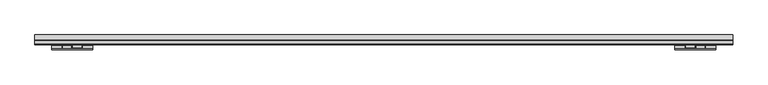
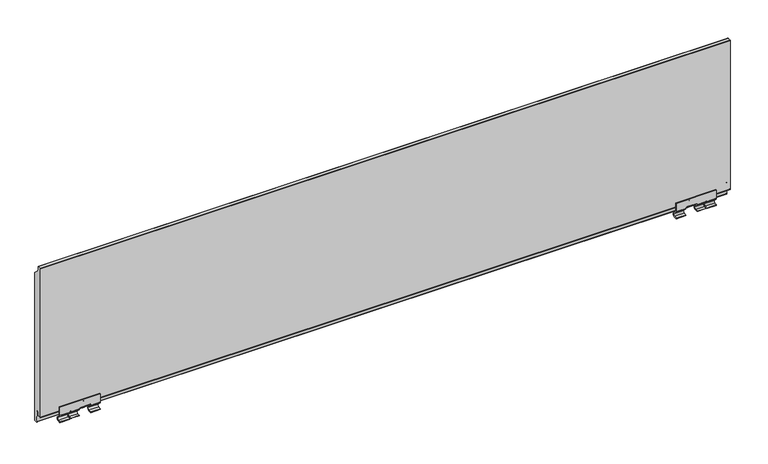
"""IFC4 building model written with IfcOpenShell, lengths in millimetres: plate geometry."""

from ifc_helpers import new_model, si_unit, point, frame, frame_2d, origin, place, context, project, spatial, polyline, circle_curve, trimmed, segment, composite_curve, outline, extrude, source, transform, mapped, element, save
from ifc_brep_helpers import plane_surface, cylinder_surface, revolved_surface, advanced_brep


def plate_f629481a(model_context):
    return source(origin(), model_context, "Body", "SolidModel", [
        advanced_brep(
        [(611.0, 145.9999948, 31.5), (611.0, 145.9999948, 15.4668526), (611.0, 147.0251211, 12.9919788), (611.0, 152.777415, 7.2396849), (611.0, 151.2359876, 2.9821849), (611.0, 146.0, 2.5061856), (611.0, 146.0, 1.0), (611.0, 151.3717914, 1.4883451), (611.0, 153.8380752, 8.3003451), (611.0, 148.0857812, 14.052639), (611.0, 147.4999948, 15.4668526), (611.0, 147.4999948, 31.5), (536.0, 145.9999948, 31.5), (536.0, 147.4999948, 31.5), (536.0, 147.4999948, 15.4668526), (536.0, 148.0857812, 14.052639), (536.0, 153.8380752, 8.3003451), (536.0, 151.3717914, 1.4883451), (536.0, 146.0, 1.0), (536.0, 146.0, 2.5061856), (536.0, 151.2359876, 2.9821849), (536.0, 152.777415, 7.2396849), (536.0, 147.0251211, 12.9919788), (536.0, 145.9999948, 15.4668526), (554.0, 145.9999948, 15.4668526), (554.0, 145.9999948, 17.0), (555.0, 145.9999948, 18.0), (556.0, 145.9999948, 18.0), (572.0, 145.9999948, 18.0), (573.5, 145.9999948, 18.0), (575.0, 145.9999948, 16.5), (575.0, 145.9999948, 15.4668526), (591.0, 145.9999948, 15.4668526), (591.0, 145.9999948, 17.0), (593.0, 145.9999948, 17.0), (593.0, 145.9999948, 15.4668526), (593.0, 147.0251211, 12.9919788), (554.0, 147.0251211, 12.9919788), (575.0, 147.0251211, 12.9919788), (591.0, 147.0251211, 12.9919788), (593.0, 152.777415, 7.2396849), (554.0, 152.777415, 7.2396849), (575.0, 152.777415, 7.2396849), (591.0, 152.777415, 7.2396849), (593.0, 151.2359876, 2.9821849), (554.0, 151.2359876, 2.9821849), (575.0, 151.2359876, 2.9821849), (591.0, 151.2359876, 2.9821849), (593.0, 146.0, 2.5061856), (554.0, 146.0, 2.5061856), (575.0, 146.0, 2.5061856), (591.0, 146.0, 2.5061856), (593.0, 146.0, 1.0), (554.0, 146.0, 1.0), (575.0, 146.0, 2.2760911), (591.0, 146.0, 2.2760911), (593.0, 151.3717914, 1.4883451), (554.0, 151.3717914, 1.4883451), (593.0, 153.8380752, 8.3003451), (554.0, 153.8380752, 8.3003451), (575.0, 153.8380752, 8.3003451), (591.0, 153.8380752, 8.3003451), (591.0, 153.4152023, 2.2760911), (575.0, 153.4152023, 2.2760911), (593.0, 148.0857812, 14.052639), (554.0, 148.0857812, 14.052639), (575.0, 148.0857812, 14.052639), (591.0, 148.0857812, 14.052639), (593.0, 147.4999948, 15.4668526), (554.0, 147.4999948, 15.4668526), (575.0, 147.4999948, 15.4668526), (591.0, 147.4999948, 15.4668526), (593.0, 147.4999948, 17.0), (591.0, 147.4999948, 17.0), (575.0, 147.4999948, 16.5), (573.5, 147.4999948, 18.0), (572.0, 147.4999948, 18.0), (556.0, 147.4999948, 18.0), (555.0, 147.4999948, 18.0), (554.0, 147.4999948, 17.0), (572.0, 149.4999948, 16.0), (572.0, 147.5329983, 15.1050173), (572.0, 149.4999948, 14.5), (572.0, 162.5122327, 14.5), (572.0, 163.5122327, 13.5), (572.0, 162.9827046, 2.2610433), (572.0, 164.4813027, 2.1962053), (572.0, 165.011917, 13.460268), (572.0, 164.1630431, 15.3774518), (572.0, 164.7826556, 16.9101209), (572.0, 164.9290465, 21.0016788), (572.0, 163.4307254, 21.0726271), (572.0, 163.2845595, 16.9808581), (572.0, 162.3501888, 16.0), (556.0, 149.4999948, 16.0), (556.0, 162.3501888, 16.0), (556.0, 163.2845595, 16.9808581), (556.0, 163.4307254, 21.0726271), (556.0, 164.9290465, 21.0016788), (556.0, 164.7826556, 16.9101209), (556.0, 164.1630431, 15.3774518), (556.0, 165.011917, 13.460268), (556.0, 164.4813027, 2.1962053), (556.0, 162.9827046, 2.2610433), (556.0, 163.5122327, 13.5), (556.0, 162.5122327, 14.5), (556.0, 149.4999948, 14.5), (556.0, 147.5329983, 15.1050173)],
        [
            (0, 1),
            (1, 2, circle_curve(frame((611.0, 149.4999948, 15.4668526), z_axis=(1.0, 0.0, 0.0), x_axis=(0.0, 1.0, 0.0)), 3.5)),
            (2, 3),
            (3, 4, circle_curve(frame((611.0, 151.0096481, 5.4719179), z_axis=(-1.0, 0.0, 0.0), x_axis=(0.0, 1.0, 0.0)), 2.5)),
            (4, 5),
            (5, 6),
            (6, 7),
            (7, 8, circle_curve(frame((611.0, 151.0096481, 5.4719179), z_axis=(1.0, 0.0, 0.0), x_axis=(0.0, 1.0, 0.0)), 4.0)),
            (8, 9),
            (9, 10, circle_curve(frame((611.0, 149.4999948, 15.4668526), z_axis=(-1.0, 0.0, 0.0), x_axis=(0.0, 1.0, 0.0)), 2.0)),
            (10, 11),
            (11, 0),
            (12, 13),
            (13, 14),
            (14, 15, circle_curve(frame((536.0, 149.4999948, 15.4668526), z_axis=(1.0, 0.0, 0.0), x_axis=(0.0, 1.0, 0.0)), 2.0)),
            (15, 16),
            (16, 17, circle_curve(frame((536.0, 151.0096481, 5.4719179), z_axis=(-1.0, 0.0, 0.0), x_axis=(0.0, 1.0, 0.0)), 4.0)),
            (17, 18),
            (18, 19),
            (19, 20),
            (20, 21, circle_curve(frame((536.0, 151.0096481, 5.4719179), z_axis=(1.0, 0.0, 0.0), x_axis=(0.0, 1.0, 0.0)), 2.5)),
            (21, 22),
            (22, 23, circle_curve(frame((536.0, 149.4999948, 15.4668526), z_axis=(-1.0, 0.0, 0.0), x_axis=(0.0, 1.0, 0.0)), 3.5)),
            (23, 12),
            (0, 12),
            (23, 24),
            (24, 25),
            (25, 26, circle_curve(frame((555.0, 145.9999948, 17.0), z_axis=(0.0, 1.0, 0.0), x_axis=(-1.0, 0.0, 0.0)), 1.0)),
            (26, 27),
            (27, 28),
            (28, 29),
            (29, 30, circle_curve(frame((573.5, 145.9999948, 16.5), z_axis=(0.0, 1.0, 0.0), x_axis=(-1.0, 0.0, 0.0)), 1.5)),
            (30, 31),
            (31, 32),
            (32, 33),
            (33, 34, circle_curve(frame((592.0, 145.9999948, 17.0), z_axis=(0.0, 1.0, 0.0), x_axis=(-1.0, 0.0, 0.0)), 1.0)),
            (34, 35),
            (35, 1),
            (35, 36, circle_curve(frame((593.0, 149.4999948, 15.4668526), z_axis=(1.0, 0.0, 0.0), x_axis=(0.0, 1.0, 0.0)), 3.5)),
            (36, 2),
            (22, 37),
            (37, 24, circle_curve(frame((554.0, 149.4999948, 15.4668526), z_axis=(-1.0, 0.0, 0.0), x_axis=(0.0, 1.0, 0.0)), 3.5)),
            (31, 38, circle_curve(frame((575.0, 149.4999948, 15.4668526), z_axis=(1.0, 0.0, 0.0), x_axis=(0.0, 1.0, 0.0)), 3.5)),
            (38, 39),
            (39, 32, circle_curve(frame((591.0, 149.4999948, 15.4668526), z_axis=(-1.0, 0.0, 0.0), x_axis=(0.0, 1.0, 0.0)), 3.5)),
            (36, 40),
            (40, 3),
            (21, 41),
            (41, 37),
            (38, 42),
            (42, 43),
            (43, 39),
            (40, 44, circle_curve(frame((593.0, 151.0096481, 5.4719179), z_axis=(-1.0, 0.0, 0.0), x_axis=(0.0, 1.0, 0.0)), 2.5)),
            (44, 4),
            (20, 45),
            (45, 41, circle_curve(frame((554.0, 151.0096481, 5.4719179), z_axis=(1.0, 0.0, 0.0), x_axis=(0.0, 1.0, 0.0)), 2.5)),
            (42, 46, circle_curve(frame((575.0, 151.0096481, 5.4719179), z_axis=(-1.0, 0.0, 0.0), x_axis=(0.0, 1.0, 0.0)), 2.5)),
            (46, 47),
            (47, 43, circle_curve(frame((591.0, 151.0096481, 5.4719179), z_axis=(1.0, 0.0, 0.0), x_axis=(0.0, 1.0, 0.0)), 2.5)),
            (44, 48),
            (48, 5),
            (19, 49),
            (49, 45),
            (46, 50),
            (50, 51),
            (51, 47),
            (48, 52),
            (52, 6),
            (18, 53),
            (53, 49),
            (50, 54),
            (54, 55),
            (55, 51),
            (52, 56),
            (56, 7),
            (17, 57),
            (57, 53),
            (56, 58, circle_curve(frame((593.0, 151.0096481, 5.4719179), z_axis=(1.0, 0.0, 0.0), x_axis=(0.0, 1.0, 0.0)), 4.0)),
            (58, 8),
            (16, 59),
            (59, 57, circle_curve(frame((554.0, 151.0096481, 5.4719179), z_axis=(-1.0, 0.0, 0.0), x_axis=(0.0, 1.0, 0.0)), 4.0)),
            (60, 61),
            (61, 62, circle_curve(frame((591.0, 151.0096481, 5.4719179), z_axis=(-1.0, 0.0, 0.0), x_axis=(0.0, 1.0, 0.0)), 4.0)),
            (62, 63),
            (63, 60, circle_curve(frame((575.0, 151.0096481, 5.4719179), z_axis=(1.0, 0.0, 0.0), x_axis=(0.0, 1.0, 0.0)), 4.0)),
            (58, 64),
            (64, 9),
            (15, 65),
            (65, 59),
            (60, 66),
            (66, 67),
            (67, 61),
            (64, 68, circle_curve(frame((593.0, 149.4999948, 15.4668526), z_axis=(-1.0, 0.0, 0.0), x_axis=(0.0, 1.0, 0.0)), 2.0)),
            (68, 10),
            (14, 69),
            (69, 65, circle_curve(frame((554.0, 149.4999948, 15.4668526), z_axis=(1.0, 0.0, 0.0), x_axis=(0.0, 1.0, 0.0)), 2.0)),
            (66, 70, circle_curve(frame((575.0, 149.4999948, 15.4668526), z_axis=(-1.0, 0.0, 0.0), x_axis=(0.0, 1.0, 0.0)), 2.0)),
            (70, 71),
            (71, 67, circle_curve(frame((591.0, 149.4999948, 15.4668526), z_axis=(1.0, 0.0, 0.0), x_axis=(0.0, 1.0, 0.0)), 2.0)),
            (68, 72),
            (72, 73, circle_curve(frame((592.0, 147.4999948, 17.0), z_axis=(0.0, -1.0, 0.0), x_axis=(-1.0, 0.0, 0.0)), 1.0)),
            (73, 71),
            (70, 74),
            (74, 75, circle_curve(frame((573.5, 147.4999948, 16.5), z_axis=(0.0, -1.0, 0.0), x_axis=(-1.0, 0.0, 0.0)), 1.5)),
            (75, 76),
            (76, 77),
            (77, 78),
            (78, 79, circle_curve(frame((555.0, 147.4999948, 17.0), z_axis=(0.0, -1.0, 0.0), x_axis=(-1.0, 0.0, 0.0)), 1.0)),
            (79, 69),
            (13, 11),
            (34, 72),
            (79, 25),
            (78, 26),
            (29, 75),
            (74, 30),
            (63, 54),
            (62, 55),
            (73, 33),
            (28, 76),
            (77, 27),
            (80, 76, circle_curve(frame((572.0, 149.4999948, 18.0), z_axis=(-1.0, 0.0, 0.0), x_axis=(0.0, 1.0, 0.0)), 2.0)),
            (28, 81, circle_curve(frame((572.0, 149.4999948, 18.0), z_axis=(1.0, 0.0, 0.0), x_axis=(0.0, 1.0, 0.0)), 3.5)),
            (81, 82, circle_curve(frame((572.0, 149.4999948, 18.0), z_axis=(1.0, 0.0, 0.0), x_axis=(0.0, 1.0, 0.0)), 3.5)),
            (82, 83),
            (83, 84, circle_curve(frame((572.0, 162.5122327, 13.5), z_axis=(-1.0, 0.0, 0.0), x_axis=(0.0, 1.0, 0.0)), 1.0)),
            (84, 85),
            (85, 86),
            (86, 87),
            (87, 88, circle_curve(frame((572.0, 162.5122327, 13.5), z_axis=(1.0, 0.0, 0.0), x_axis=(0.0, 1.0, 0.0)), 2.5)),
            (88, 89, circle_curve(frame((572.0, 162.2838517, 17.0287329), z_axis=(1.0, 0.0, 0.0), x_axis=(0.0, 1.0, 0.0)), 2.5016174)),
            (89, 90),
            (90, 91),
            (91, 92),
            (92, 93, circle_curve(frame((572.0, 162.2222746, 17.0573241), z_axis=(-1.0, 0.0, 0.0), x_axis=(0.0, 1.0, 0.0)), 1.0650334)),
            (93, 80),
            (94, 95),
            (95, 96, circle_curve(frame((556.0, 162.2222746, 17.0573241), z_axis=(1.0, 0.0, 0.0), x_axis=(0.0, 1.0, 0.0)), 1.0650334)),
            (96, 97),
            (97, 98),
            (98, 99),
            (99, 100, circle_curve(frame((556.0, 162.2838517, 17.0287329), z_axis=(-1.0, 0.0, 0.0), x_axis=(0.0, 1.0, 0.0)), 2.5016174)),
            (100, 101, circle_curve(frame((556.0, 162.5122327, 13.5), z_axis=(-1.0, 0.0, 0.0), x_axis=(0.0, 1.0, 0.0)), 2.5)),
            (101, 102),
            (102, 103),
            (103, 104),
            (104, 105, circle_curve(frame((556.0, 162.5122327, 13.5), z_axis=(1.0, 0.0, 0.0), x_axis=(0.0, 1.0, 0.0)), 1.0)),
            (105, 106),
            (106, 107, circle_curve(frame((556.0, 149.4999948, 18.0), z_axis=(-1.0, 0.0, 0.0), x_axis=(0.0, 1.0, 0.0)), 3.5)),
            (107, 27, circle_curve(frame((556.0, 149.4999948, 18.0), z_axis=(-1.0, 0.0, 0.0), x_axis=(0.0, 1.0, 0.0)), 3.5)),
            (77, 94, circle_curve(frame((556.0, 149.4999948, 18.0), z_axis=(1.0, 0.0, 0.0), x_axis=(0.0, 1.0, 0.0)), 2.0)),
            (82, 106),
            (105, 83),
            (104, 84),
            (103, 85),
            (102, 86),
            (101, 87),
            (100, 88),
            (99, 89),
            (98, 90),
            (97, 91),
            (96, 92),
            (95, 93),
            (94, 80),
            (107, 81),
        ],
        [
            plane_surface(frame((611.0, 146.0, 31.5), z_axis=(1.0, 0.0, 0.0), x_axis=(0.0, 1.0, 0.0))),
            plane_surface(frame((536.0, 146.0, 31.5), z_axis=(-1.0, 0.0, 0.0), x_axis=(0.0, 1.0, 0.0))),
            plane_surface(frame((611.0, 145.9999948, 31.5), z_axis=(0.0, -1.0, 0.0), x_axis=(-1.0, 0.0, 0.0))),
            cylinder_surface(frame((611.0, 149.4999948, 15.4668526), z_axis=(1.0, 0.0, 0.0), x_axis=(0.0, 1.0, 0.0)), 3.5),
            plane_surface(frame((611.0, 147.0251211, 12.9919788), z_axis=(0.0, -0.7071067811925984, -0.7071067811804966), x_axis=(-1.0, 0.0, 0.0))),
            revolved_surface(polyline([(593.0, 153.5096481, 5.4719179), (611.0, 153.5096481, 5.4719179)]), (611.0, 151.0096481, 5.4719179), (-1.0, 0.0, 0.0)),
            revolved_surface(polyline([(536.0, 153.5096481, 5.4719179), (554.0, 153.5096481, 5.4719179)]), (611.0, 151.0096481, 5.4719179), (-1.0, 0.0, 0.0)),
            revolved_surface(polyline([(575.0, 153.5096481, 5.4719179), (591.0, 153.5096481, 5.4719179)]), (611.0, 151.0096481, 5.4719179), (-1.0, 0.0, 0.0)),
            plane_surface(frame((611.0, 151.2359876, 2.9821849), z_axis=(0.0, -0.09053583112531925, 0.9958931987329002), x_axis=(-1.0, 0.0, 0.0))),
            plane_surface(frame((611.0, 146.0, 2.5061856), z_axis=(0.0, -1.0, 0.0), x_axis=(-1.0, 0.0, 0.0))),
            plane_surface(frame((611.0, 146.0, 1.0), z_axis=(0.0, 0.09053583112531918, -0.9958931987329002), x_axis=(-1.0, 0.0, 0.0))),
            cylinder_surface(frame((611.0, 151.0096481, 5.4719179), z_axis=(1.0, 0.0, 0.0), x_axis=(0.0, 1.0, 0.0)), 4.0),
            plane_surface(frame((611.0, 153.8380752, 8.3003451), z_axis=(0.0, 0.707106781174972, 0.707106781198123), x_axis=(-1.0, 0.0, 0.0))),
            revolved_surface(polyline([(593.0, 151.4999948, 15.4668526), (611.0, 151.4999948, 15.4668526)]), (611.0, 149.4999948, 15.4668526), (-1.0, 0.0, 0.0)),
            revolved_surface(polyline([(536.0, 151.4999948, 15.4668526), (554.0, 151.4999948, 15.4668526)]), (611.0, 149.4999948, 15.4668526), (-1.0, 0.0, 0.0)),
            revolved_surface(polyline([(575.0, 151.4999948, 15.4668526), (591.0, 151.4999948, 15.4668526)]), (611.0, 149.4999948, 15.4668526), (-1.0, 0.0, 0.0)),
            plane_surface(frame((611.0, 147.4999948, 15.4668526), z_axis=(0.0, 1.0, 0.0), x_axis=(-1.0, 0.0, 0.0))),
            plane_surface(frame((611.0, 147.4999948, 31.5), z_axis=(0.0, 0.0, 1.0), x_axis=(-1.0, 0.0, 0.0))),
            plane_surface(frame((593.0, 168.7101839, 17.0), z_axis=(-1.0, 0.0, 1.8190105671722633e-12), x_axis=(0.0, -1.0, 0.0))),
            plane_surface(frame((554.0, 168.7101839, 1.0), z_axis=(1.0, 0.0, 0.0), x_axis=(0.0, -1.0, 0.0))),
            revolved_surface(polyline([(554.0, 147.4999948, 17.0), (554.0, 145.9999948, 17.0)]), (555.0, 114.0182971, 17.0), (0.0, 1.0, 0.0)),
            revolved_surface(polyline([(572.0, 147.4999948, 16.5), (572.0, 145.9999948, 16.5)]), (573.5, 114.0182971, 16.5), (0.0, 1.0, 0.0)),
            plane_surface(frame((575.0, 168.7101839, 16.5), z_axis=(-1.0, 0.0, 4.092288451932539e-12), x_axis=(0.0, -1.0, 0.0))),
            plane_surface(frame((575.0, 168.7101839, 2.2760911), z_axis=(0.0, 0.0, -1.0), x_axis=(0.0, -1.0, 0.0))),
            plane_surface(frame((591.0, 168.7101839, 2.2760911), z_axis=(1.0, 0.0, 0.0), x_axis=(0.0, -1.0, 0.0))),
            revolved_surface(polyline([(591.0, 147.4999948, 17.0), (591.0, 145.9999948, 17.0)]), (592.0, 114.0182971, 17.0), (0.0, 1.0, 0.0)),
            plane_surface(frame((555.0, 168.7101839, 18.0), z_axis=(-1.5730840053947424e-12, 0.0, -1.0), x_axis=(0.0, -1.0, 0.0))),
            plane_surface(frame((572.0, 146.0, 21.0), z_axis=(1.0, 0.0, 0.0), x_axis=(0.0, 1.0, 0.0))),
            plane_surface(frame((556.0, 146.0, 21.0), z_axis=(-1.0, 0.0, 0.0), x_axis=(0.0, 1.0, 0.0))),
            plane_surface(frame((572.0, 149.4999948, 14.5), z_axis=(0.0, 0.0, -1.0), x_axis=(-1.0, 0.0, 0.0))),
            revolved_surface(polyline([(556.0, 163.5122327, 13.5), (572.0, 163.5122327, 13.5)]), (572.0, 162.5122327, 13.5), (-1.0, 0.0, 0.0)),
            plane_surface(frame((572.0, 163.5122327, 13.5), z_axis=(0.0, -0.9988919134544821, 0.04706320468522484), x_axis=(-1.0, 0.0, 0.0))),
            plane_surface(frame((572.0, 162.9827046, 2.2610433), z_axis=(0.0, -0.043225347627194544, -0.9990653478739557), x_axis=(-1.0, 0.0, 0.0))),
            plane_surface(frame((572.0, 164.4813027, 2.1962053), z_axis=(0.0, 0.9988923163391343, -0.04705465289043034), x_axis=(-1.0, 0.0, 0.0))),
            cylinder_surface(frame((572.0, 162.5122327, 13.5), z_axis=(1.0, 0.0, 0.0), x_axis=(0.0, 1.0, 0.0)), 2.5),
            cylinder_surface(frame((572.0, 162.2838517, 17.0287329), z_axis=(1.0, 0.0, 0.0), x_axis=(0.0, 1.0, 0.0)), 2.5016174),
            plane_surface(frame((572.0, 164.7826556, 16.9101209), z_axis=(0.0, 0.9993605534215647, -0.03575589832382789), x_axis=(-1.0, 0.0, 0.0))),
            plane_surface(frame((572.0, 164.9290465, 21.0016788), z_axis=(0.0, 0.04729883716213145, 0.9988807836789685), x_axis=(-1.0, 0.0, 0.0))),
            plane_surface(frame((572.0, 163.4307254, 21.0726271), z_axis=(0.0, -0.9993625820108536, 0.03569915512445818), x_axis=(-1.0, 0.0, 0.0))),
            revolved_surface(polyline([(556.0, 163.287308, 17.0573241), (572.0, 163.287308, 17.0573241)]), (572.0, 162.2222746, 17.0573241), (-1.0, 0.0, 0.0)),
            plane_surface(frame((572.0, 162.3501888, 16.0), z_axis=(0.0, 0.0, 1.0), x_axis=(-1.0, 0.0, 0.0))),
            revolved_surface(polyline([(556.0, 151.4999948, 18.0), (572.0, 151.4999948, 18.0)]), (572.0, 149.4999948, 18.0), (-1.0, 0.0, 0.0)),
            cylinder_surface(frame((572.0, 149.4999948, 18.0), z_axis=(1.0, 0.0, 0.0), x_axis=(0.0, 1.0, 0.0)), 3.5),
        ],
        [
            (0, [[1, 2, 3, 4, 5, 6, 7, 8, 9, 10, 11, 12]]),
            (1, [[13, 14, 15, 16, 17, 18, 19, 20, 21, 22, 23, 24]]),
            (2, [[-1, 25, -24, 26, 27, 28, 29, 30, 31, 32, 33, 34, 35, 36, 37, 38]]),
            (3, [[-2, -38, 39, 40]]),
            (3, [[-23, 41, 42, -26]]),
            (3, [[-34, 43, 44, 45]]),
            (4, [[-3, -40, 46, 47]]),
            (4, [[-22, 48, 49, -41]]),
            (4, [[-44, 50, 51, 52]]),
            (5, [[-4, -47, 53, 54]]),
            (6, [[-21, 55, 56, -48]]),
            (7, [[-51, 57, 58, 59]]),
            (8, [[-5, -54, 60, 61]]),
            (8, [[-20, 62, 63, -55]]),
            (8, [[-58, 64, 65, 66]]),
            (9, [[-6, -61, 67, 68]]),
            (9, [[-19, 69, 70, -62]]),
            (9, [[-65, 71, 72, 73]]),
            (10, [[-7, -68, 74, 75]]),
            (10, [[-18, 76, 77, -69]]),
            (11, [[-8, -75, 78, 79]]),
            (11, [[-17, 80, 81, -76]]),
            (11, [[82, 83, 84, 85]]),
            (12, [[-9, -79, 86, 87]]),
            (12, [[-16, 88, 89, -80]]),
            (12, [[-82, 90, 91, 92]]),
            (13, [[-10, -87, 93, 94]]),
            (14, [[-15, 95, 96, -88]]),
            (15, [[-91, 97, 98, 99]]),
            (16, [[-11, -94, 100, 101, 102, -98, 103, 104, 105, 106, 107, 108, 109, -95, -14, 110]]),
            (17, [[-12, -110, -13, -25]]),
            (18, [[111, -100, -93, -86, -78, -74, -67, -60, -53, -46, -39, -37]]),
            (19, [[112, -27, -42, -49, -56, -63, -70, -77, -81, -89, -96, -109]]),
            (20, [[-112, -108, 113, -28]]),
            (21, [[114, -104, 115, -32]]),
            (22, [[-115, -103, -97, -90, -85, 116, -71, -64, -57, -50, -43, -33]]),
            (23, [[-116, -84, 117, -72]]),
            (24, [[-117, -83, -92, -99, -102, 118, -35, -45, -52, -59, -66, -73]]),
            (25, [[-111, -36, -118, -101]]),
            (26, [[-114, -31, 119, -105]]),
            (26, [[-113, -107, 120, -29]]),
            (27, [[121, -119, 122, 123, 124, 125, 126, 127, 128, 129, 130, 131, 132, 133, 134, 135]]),
            (28, [[136, 137, 138, 139, 140, 141, 142, 143, 144, 145, 146, 147, 148, 149, -120, 150]]),
            (29, [[-124, 151, -147, 152]]),
            (30, [[-125, -152, -146, 153]]),
            (31, [[-126, -153, -145, 154]]),
            (32, [[-127, -154, -144, 155]]),
            (33, [[-128, -155, -143, 156]]),
            (34, [[-129, -156, -142, 157]]),
            (35, [[-130, -157, -141, 158]]),
            (36, [[-131, -158, -140, 159]]),
            (37, [[-132, -159, -139, 160]]),
            (38, [[-133, -160, -138, 161]]),
            (39, [[-134, -161, -137, 162]]),
            (40, [[-135, -162, -136, 163]]),
            (41, [[-121, -163, -150, -106]]),
            (42, [[-122, -30, -149, 164]]),
            (42, [[-123, -164, -148, -151]]),
        ],
    ),
        advanced_brep(
        [(-611.0, 145.9999948, 31.5), (-611.0, 147.4999948, 31.5), (-611.0, 147.4999948, 15.4668526), (-611.0, 148.0857812, 14.052639), (-611.0, 153.8380752, 8.3003451), (-611.0, 151.3717914, 1.4883451), (-611.0, 146.0, 1.0), (-611.0, 146.0, 2.5061856), (-611.0, 151.2359876, 2.9821849), (-611.0, 152.777415, 7.2396849), (-611.0, 147.0251211, 12.9919788), (-611.0, 145.9999948, 15.4668526), (-536.0, 145.9999948, 31.5), (-536.0, 145.9999948, 15.4668526), (-536.0, 147.0251211, 12.9919788), (-536.0, 152.777415, 7.2396849), (-536.0, 151.2359876, 2.9821849), (-536.0, 146.0, 2.5061856), (-536.0, 146.0, 1.0), (-536.0, 151.3717914, 1.4883451), (-536.0, 153.8380752, 8.3003451), (-536.0, 148.0857812, 14.052639), (-536.0, 147.4999948, 15.4668526), (-536.0, 147.4999948, 31.5), (-593.0, 145.9999948, 15.4668526), (-593.0, 145.9999948, 17.0), (-591.0, 145.9999948, 17.0), (-591.0, 145.9999948, 15.4668526), (-575.0, 145.9999948, 15.4668526), (-575.0, 145.9999948, 16.5), (-573.5, 145.9999948, 18.0), (-572.0, 145.9999948, 18.0), (-556.0, 145.9999948, 18.0), (-555.0, 145.9999948, 18.0), (-554.0, 145.9999948, 17.0), (-554.0, 145.9999948, 15.4668526), (-554.0, 147.0251211, 12.9919788), (-591.0, 147.0251211, 12.9919788), (-575.0, 147.0251211, 12.9919788), (-593.0, 147.0251211, 12.9919788), (-554.0, 152.777415, 7.2396849), (-591.0, 152.777415, 7.2396849), (-575.0, 152.777415, 7.2396849), (-593.0, 152.777415, 7.2396849), (-554.0, 151.2359876, 2.9821849), (-591.0, 151.2359876, 2.9821849), (-575.0, 151.2359876, 2.9821849), (-593.0, 151.2359876, 2.9821849), (-554.0, 146.0, 2.5061856), (-591.0, 146.0, 2.5061856), (-575.0, 146.0, 2.5061856), (-593.0, 146.0, 2.5061856), (-554.0, 146.0, 1.0), (-591.0, 146.0, 2.2760911), (-575.0, 146.0, 2.2760911), (-593.0, 146.0, 1.0), (-554.0, 151.3717914, 1.4883451), (-593.0, 151.3717914, 1.4883451), (-554.0, 153.8380752, 8.3003451), (-575.0, 153.8380752, 8.3003451), (-575.0, 153.4152023, 2.2760911), (-591.0, 153.4152023, 2.2760911), (-591.0, 153.8380752, 8.3003451), (-593.0, 153.8380752, 8.3003451), (-554.0, 148.0857812, 14.052639), (-591.0, 148.0857812, 14.052639), (-575.0, 148.0857812, 14.052639), (-593.0, 148.0857812, 14.052639), (-554.0, 147.4999948, 15.4668526), (-591.0, 147.4999948, 15.4668526), (-575.0, 147.4999948, 15.4668526), (-593.0, 147.4999948, 15.4668526), (-554.0, 147.4999948, 17.0), (-555.0, 147.4999948, 18.0), (-556.0, 147.4999948, 18.0), (-572.0, 147.4999948, 18.0), (-573.5, 147.4999948, 18.0), (-575.0, 147.4999948, 16.5), (-591.0, 147.4999948, 17.0), (-593.0, 147.4999948, 17.0), (-572.0, 149.4999948, 16.0), (-572.0, 162.3501888, 16.0), (-572.0, 163.2845595, 16.9808581), (-572.0, 163.4307254, 21.0726271), (-572.0, 164.9290465, 21.0016788), (-572.0, 164.7826556, 16.9101209), (-572.0, 164.1630431, 15.3774518), (-572.0, 165.011917, 13.460268), (-572.0, 164.4813027, 2.1962053), (-572.0, 162.9827046, 2.2610433), (-572.0, 163.5122327, 13.5), (-572.0, 162.5122327, 14.5), (-572.0, 149.4999948, 14.5), (-572.0, 147.5329983, 15.1050173), (-556.0, 149.4999948, 16.0), (-556.0, 147.5329983, 15.1050173), (-556.0, 149.4999948, 14.5), (-556.0, 162.5122327, 14.5), (-556.0, 163.5122327, 13.5), (-556.0, 162.9827046, 2.2610433), (-556.0, 164.4813027, 2.1962053), (-556.0, 165.011917, 13.460268), (-556.0, 164.1630431, 15.3774518), (-556.0, 164.7826556, 16.9101209), (-556.0, 164.9290465, 21.0016788), (-556.0, 163.4307254, 21.0726271), (-556.0, 163.2845595, 16.9808581), (-556.0, 162.3501888, 16.0)],
        [
            (0, 1),
            (1, 2),
            (2, 3, circle_curve(frame((-611.0, 149.4999948, 15.4668526), z_axis=(1.0, 0.0, 0.0), x_axis=(0.0, 1.0, 0.0)), 2.0)),
            (3, 4),
            (4, 5, circle_curve(frame((-611.0, 151.0096481, 5.4719179), z_axis=(-1.0, 0.0, 0.0), x_axis=(0.0, 1.0, 0.0)), 4.0)),
            (5, 6),
            (6, 7),
            (7, 8),
            (8, 9, circle_curve(frame((-611.0, 151.0096481, 5.4719179), z_axis=(1.0, 0.0, 0.0), x_axis=(0.0, 1.0, 0.0)), 2.5)),
            (9, 10),
            (10, 11, circle_curve(frame((-611.0, 149.4999948, 15.4668526), z_axis=(-1.0, 0.0, 0.0), x_axis=(0.0, 1.0, 0.0)), 3.5)),
            (11, 0),
            (12, 13),
            (13, 14, circle_curve(frame((-536.0, 149.4999948, 15.4668526), z_axis=(1.0, 0.0, 0.0), x_axis=(0.0, 1.0, 0.0)), 3.5)),
            (14, 15),
            (15, 16, circle_curve(frame((-536.0, 151.0096481, 5.4719179), z_axis=(-1.0, 0.0, 0.0), x_axis=(0.0, 1.0, 0.0)), 2.5)),
            (16, 17),
            (17, 18),
            (18, 19),
            (19, 20, circle_curve(frame((-536.0, 151.0096481, 5.4719179), z_axis=(1.0, 0.0, 0.0), x_axis=(0.0, 1.0, 0.0)), 4.0)),
            (20, 21),
            (21, 22, circle_curve(frame((-536.0, 149.4999948, 15.4668526), z_axis=(-1.0, 0.0, 0.0), x_axis=(0.0, 1.0, 0.0)), 2.0)),
            (22, 23),
            (23, 12),
            (11, 24),
            (24, 25),
            (25, 26, circle_curve(frame((-592.0, 145.9999948, 17.0), z_axis=(0.0, 1.0, 0.0), x_axis=(1.0, 0.0, 0.0)), 1.0)),
            (26, 27),
            (27, 28),
            (28, 29),
            (29, 30, circle_curve(frame((-573.5, 145.9999948, 16.5), z_axis=(0.0, 1.0, 0.0), x_axis=(1.0, 0.0, 0.0)), 1.5)),
            (30, 31),
            (31, 32),
            (32, 33),
            (33, 34, circle_curve(frame((-555.0, 145.9999948, 17.0), z_axis=(0.0, 1.0, 0.0), x_axis=(1.0, 0.0, 0.0)), 1.0)),
            (34, 35),
            (35, 13),
            (12, 0),
            (35, 36, circle_curve(frame((-554.0, 149.4999948, 15.4668526), z_axis=(1.0, 0.0, 0.0), x_axis=(0.0, 1.0, 0.0)), 3.5)),
            (36, 14),
            (27, 37, circle_curve(frame((-591.0, 149.4999948, 15.4668526), z_axis=(1.0, 0.0, 0.0), x_axis=(0.0, 1.0, 0.0)), 3.5)),
            (37, 38),
            (38, 28, circle_curve(frame((-575.0, 149.4999948, 15.4668526), z_axis=(-1.0, 0.0, 0.0), x_axis=(0.0, 1.0, 0.0)), 3.5)),
            (10, 39),
            (39, 24, circle_curve(frame((-593.0, 149.4999948, 15.4668526), z_axis=(-1.0, 0.0, 0.0), x_axis=(0.0, 1.0, 0.0)), 3.5)),
            (36, 40),
            (40, 15),
            (37, 41),
            (41, 42),
            (42, 38),
            (9, 43),
            (43, 39),
            (40, 44, circle_curve(frame((-554.0, 151.0096481, 5.4719179), z_axis=(-1.0, 0.0, 0.0), x_axis=(0.0, 1.0, 0.0)), 2.5)),
            (44, 16),
            (41, 45, circle_curve(frame((-591.0, 151.0096481, 5.4719179), z_axis=(-1.0, 0.0, 0.0), x_axis=(0.0, 1.0, 0.0)), 2.5)),
            (45, 46),
            (46, 42, circle_curve(frame((-575.0, 151.0096481, 5.4719179), z_axis=(1.0, 0.0, 0.0), x_axis=(0.0, 1.0, 0.0)), 2.5)),
            (8, 47),
            (47, 43, circle_curve(frame((-593.0, 151.0096481, 5.4719179), z_axis=(1.0, 0.0, 0.0), x_axis=(0.0, 1.0, 0.0)), 2.5)),
            (44, 48),
            (48, 17),
            (45, 49),
            (49, 50),
            (50, 46),
            (7, 51),
            (51, 47),
            (48, 52),
            (52, 18),
            (49, 53),
            (53, 54),
            (54, 50),
            (6, 55),
            (55, 51),
            (52, 56),
            (56, 19),
            (5, 57),
            (57, 55),
            (56, 58, circle_curve(frame((-554.0, 151.0096481, 5.4719179), z_axis=(1.0, 0.0, 0.0), x_axis=(0.0, 1.0, 0.0)), 4.0)),
            (58, 20),
            (59, 60, circle_curve(frame((-575.0, 151.0096481, 5.4719179), z_axis=(-1.0, 0.0, 0.0), x_axis=(0.0, 1.0, 0.0)), 4.0)),
            (60, 61),
            (61, 62, circle_curve(frame((-591.0, 151.0096481, 5.4719179), z_axis=(1.0, 0.0, 0.0), x_axis=(0.0, 1.0, 0.0)), 4.0)),
            (62, 59),
            (4, 63),
            (63, 57, circle_curve(frame((-593.0, 151.0096481, 5.4719179), z_axis=(-1.0, 0.0, 0.0), x_axis=(0.0, 1.0, 0.0)), 4.0)),
            (58, 64),
            (64, 21),
            (62, 65),
            (65, 66),
            (66, 59),
            (3, 67),
            (67, 63),
            (64, 68, circle_curve(frame((-554.0, 149.4999948, 15.4668526), z_axis=(-1.0, 0.0, 0.0), x_axis=(0.0, 1.0, 0.0)), 2.0)),
            (68, 22),
            (65, 69, circle_curve(frame((-591.0, 149.4999948, 15.4668526), z_axis=(-1.0, 0.0, 0.0), x_axis=(0.0, 1.0, 0.0)), 2.0)),
            (69, 70),
            (70, 66, circle_curve(frame((-575.0, 149.4999948, 15.4668526), z_axis=(1.0, 0.0, 0.0), x_axis=(0.0, 1.0, 0.0)), 2.0)),
            (2, 71),
            (71, 67, circle_curve(frame((-593.0, 149.4999948, 15.4668526), z_axis=(1.0, 0.0, 0.0), x_axis=(0.0, 1.0, 0.0)), 2.0)),
            (1, 23),
            (68, 72),
            (72, 73, circle_curve(frame((-555.0, 147.4999948, 17.0), z_axis=(0.0, -1.0, 0.0), x_axis=(1.0, 0.0, 0.0)), 1.0)),
            (73, 74),
            (74, 75),
            (75, 76),
            (76, 77, circle_curve(frame((-573.5, 147.4999948, 16.5), z_axis=(0.0, -1.0, 0.0), x_axis=(1.0, 0.0, 0.0)), 1.5)),
            (77, 70),
            (69, 78),
            (78, 79, circle_curve(frame((-592.0, 147.4999948, 17.0), z_axis=(0.0, -1.0, 0.0), x_axis=(1.0, 0.0, 0.0)), 1.0)),
            (79, 71),
            (79, 25),
            (34, 72),
            (33, 73),
            (29, 77),
            (76, 30),
            (54, 60),
            (53, 61),
            (26, 78),
            (32, 74),
            (75, 31),
            (80, 81),
            (81, 82, circle_curve(frame((-572.0, 162.2222746, 17.0573241), z_axis=(1.0, 0.0, 0.0), x_axis=(0.0, 1.0, 0.0)), 1.0650334)),
            (82, 83),
            (83, 84),
            (84, 85),
            (85, 86, circle_curve(frame((-572.0, 162.2838517, 17.0287329), z_axis=(-1.0, 0.0, 0.0), x_axis=(0.0, 1.0, 0.0)), 2.5016174)),
            (86, 87, circle_curve(frame((-572.0, 162.5122327, 13.5), z_axis=(-1.0, 0.0, 0.0), x_axis=(0.0, 1.0, 0.0)), 2.5)),
            (87, 88),
            (88, 89),
            (89, 90),
            (90, 91, circle_curve(frame((-572.0, 162.5122327, 13.5), z_axis=(1.0, 0.0, 0.0), x_axis=(0.0, 1.0, 0.0)), 1.0)),
            (91, 92),
            (92, 93, circle_curve(frame((-572.0, 149.4999948, 18.0), z_axis=(-1.0, 0.0, 0.0), x_axis=(0.0, 1.0, 0.0)), 3.5)),
            (93, 31, circle_curve(frame((-572.0, 149.4999948, 18.0), z_axis=(-1.0, 0.0, 0.0), x_axis=(0.0, 1.0, 0.0)), 3.5)),
            (75, 80, circle_curve(frame((-572.0, 149.4999948, 18.0), z_axis=(1.0, 0.0, 0.0), x_axis=(0.0, 1.0, 0.0)), 2.0)),
            (94, 74, circle_curve(frame((-556.0, 149.4999948, 18.0), z_axis=(-1.0, 0.0, 0.0), x_axis=(0.0, 1.0, 0.0)), 2.0)),
            (32, 95, circle_curve(frame((-556.0, 149.4999948, 18.0), z_axis=(1.0, 0.0, 0.0), x_axis=(0.0, 1.0, 0.0)), 3.5)),
            (95, 96, circle_curve(frame((-556.0, 149.4999948, 18.0), z_axis=(1.0, 0.0, 0.0), x_axis=(0.0, 1.0, 0.0)), 3.5)),
            (96, 97),
            (97, 98, circle_curve(frame((-556.0, 162.5122327, 13.5), z_axis=(-1.0, 0.0, 0.0), x_axis=(0.0, 1.0, 0.0)), 1.0)),
            (98, 99),
            (99, 100),
            (100, 101),
            (101, 102, circle_curve(frame((-556.0, 162.5122327, 13.5), z_axis=(1.0, 0.0, 0.0), x_axis=(0.0, 1.0, 0.0)), 2.5)),
            (102, 103, circle_curve(frame((-556.0, 162.2838517, 17.0287329), z_axis=(1.0, 0.0, 0.0), x_axis=(0.0, 1.0, 0.0)), 2.5016174)),
            (103, 104),
            (104, 105),
            (105, 106),
            (106, 107, circle_curve(frame((-556.0, 162.2222746, 17.0573241), z_axis=(-1.0, 0.0, 0.0), x_axis=(0.0, 1.0, 0.0)), 1.0650334)),
            (107, 94),
            (91, 97),
            (96, 92),
            (90, 98),
            (89, 99),
            (88, 100),
            (87, 101),
            (86, 102),
            (85, 103),
            (84, 104),
            (83, 105),
            (82, 106),
            (81, 107),
            (80, 94),
            (93, 95),
        ],
        [
            plane_surface(frame((-611.0, 146.0, 31.5), z_axis=(-1.0, 0.0, 0.0), x_axis=(0.0, 1.0, 0.0))),
            plane_surface(frame((-536.0, 146.0, 31.5), z_axis=(1.0, 0.0, 0.0), x_axis=(0.0, 1.0, 0.0))),
            plane_surface(frame((-611.0, 145.9999948, 31.5), z_axis=(0.0, -1.0, 0.0), x_axis=(1.0, 0.0, 0.0))),
            cylinder_surface(frame((-611.0, 149.4999948, 15.4668526), z_axis=(-1.0, 0.0, 0.0), x_axis=(0.0, 1.0, 0.0)), 3.5),
            plane_surface(frame((-611.0, 147.0251211, 12.9919788), z_axis=(0.0, -0.7071067811925984, -0.7071067811804966), x_axis=(1.0, 0.0, 0.0))),
            revolved_surface(polyline([(-536.0, 153.5096481, 5.4719179), (-554.0, 153.5096481, 5.4719179)]), (-611.0, 151.0096481, 5.4719179), (1.0, 0.0, 0.0)),
            revolved_surface(polyline([(-575.0, 153.5096481, 5.4719179), (-591.0, 153.5096481, 5.4719179)]), (-611.0, 151.0096481, 5.4719179), (1.0, 0.0, 0.0)),
            revolved_surface(polyline([(-593.0, 153.5096481, 5.4719179), (-611.0, 153.5096481, 5.4719179)]), (-611.0, 151.0096481, 5.4719179), (1.0, 0.0, 0.0)),
            plane_surface(frame((-611.0, 151.2359876, 2.9821849), z_axis=(0.0, -0.09053583112531925, 0.9958931987329002), x_axis=(1.0, 0.0, 0.0))),
            plane_surface(frame((-611.0, 146.0, 2.5061856), z_axis=(0.0, -1.0, 0.0), x_axis=(1.0, 0.0, 0.0))),
            plane_surface(frame((-611.0, 146.0, 1.0), z_axis=(0.0, 0.09053583112531918, -0.9958931987329002), x_axis=(1.0, 0.0, 0.0))),
            cylinder_surface(frame((-611.0, 151.0096481, 5.4719179), z_axis=(-1.0, 0.0, 0.0), x_axis=(0.0, 1.0, 0.0)), 4.0),
            plane_surface(frame((-611.0, 153.8380752, 8.3003451), z_axis=(0.0, 0.707106781174972, 0.707106781198123), x_axis=(1.0, 0.0, 0.0))),
            revolved_surface(polyline([(-536.0, 151.4999948, 15.4668526), (-554.0, 151.4999948, 15.4668526)]), (-611.0, 149.4999948, 15.4668526), (1.0, 0.0, 0.0)),
            revolved_surface(polyline([(-575.0, 151.4999948, 15.4668526), (-591.0, 151.4999948, 15.4668526)]), (-611.0, 149.4999948, 15.4668526), (1.0, 0.0, 0.0)),
            revolved_surface(polyline([(-593.0, 151.4999948, 15.4668526), (-611.0, 151.4999948, 15.4668526)]), (-611.0, 149.4999948, 15.4668526), (1.0, 0.0, 0.0)),
            plane_surface(frame((-611.0, 147.4999948, 15.4668526), z_axis=(0.0, 1.0, 0.0), x_axis=(1.0, 0.0, 0.0))),
            plane_surface(frame((-611.0, 147.4999948, 31.5), z_axis=(0.0, 0.0, 1.0), x_axis=(1.0, 0.0, 0.0))),
            plane_surface(frame((-593.0, 168.7101839, 17.0), z_axis=(1.0, 0.0, 1.8190105671722633e-12), x_axis=(0.0, -1.0, 0.0))),
            plane_surface(frame((-554.0, 168.7101839, 1.0), z_axis=(-1.0, 0.0, 0.0), x_axis=(0.0, -1.0, 0.0))),
            revolved_surface(polyline([(-554.0, 147.4999948, 17.0), (-554.0, 145.9999948, 17.0)]), (-555.0, 114.0182971, 17.0), (0.0, 1.0, 0.0)),
            revolved_surface(polyline([(-572.0, 147.4999948, 16.5), (-572.0, 145.9999948, 16.5)]), (-573.5, 114.0182971, 16.5), (0.0, 1.0, 0.0)),
            plane_surface(frame((-575.0, 168.7101839, 16.5), z_axis=(1.0, 0.0, 4.092288451932539e-12), x_axis=(0.0, -1.0, 0.0))),
            plane_surface(frame((-575.0, 168.7101839, 2.2760911), z_axis=(0.0, 0.0, -1.0), x_axis=(0.0, -1.0, 0.0))),
            plane_surface(frame((-591.0, 168.7101839, 2.2760911), z_axis=(-1.0, 0.0, 0.0), x_axis=(0.0, -1.0, 0.0))),
            revolved_surface(polyline([(-591.0, 147.4999948, 17.0), (-591.0, 145.9999948, 17.0)]), (-592.0, 114.0182971, 17.0), (0.0, 1.0, 0.0)),
            plane_surface(frame((-555.0, 168.7101839, 18.0), z_axis=(1.5730840053947424e-12, 0.0, -1.0), x_axis=(0.0, -1.0, 0.0))),
            plane_surface(frame((-572.0, 146.0, 21.0), z_axis=(-1.0, 0.0, 0.0), x_axis=(0.0, 1.0, 0.0))),
            plane_surface(frame((-556.0, 146.0, 21.0), z_axis=(1.0, 0.0, 0.0), x_axis=(0.0, 1.0, 0.0))),
            plane_surface(frame((-572.0, 149.4999948, 14.5), z_axis=(0.0, 0.0, -1.0), x_axis=(1.0, 0.0, 0.0))),
            revolved_surface(polyline([(-556.0, 163.5122327, 13.5), (-572.0, 163.5122327, 13.5)]), (-572.0, 162.5122327, 13.5), (1.0, 0.0, 0.0)),
            plane_surface(frame((-572.0, 163.5122327, 13.5), z_axis=(0.0, -0.9988919134544821, 0.04706320468522484), x_axis=(1.0, 0.0, 0.0))),
            plane_surface(frame((-572.0, 162.9827046, 2.2610433), z_axis=(0.0, -0.043225347627194544, -0.9990653478739557), x_axis=(1.0, 0.0, 0.0))),
            plane_surface(frame((-572.0, 164.4813027, 2.1962053), z_axis=(0.0, 0.9988923163391343, -0.04705465289043034), x_axis=(1.0, 0.0, 0.0))),
            cylinder_surface(frame((-572.0, 162.5122327, 13.5), z_axis=(-1.0, 0.0, 0.0), x_axis=(0.0, 1.0, 0.0)), 2.5),
            cylinder_surface(frame((-572.0, 162.2838517, 17.0287329), z_axis=(-1.0, 0.0, 0.0), x_axis=(0.0, 1.0, 0.0)), 2.5016174),
            plane_surface(frame((-572.0, 164.7826556, 16.9101209), z_axis=(0.0, 0.9993605534215647, -0.03575589832382789), x_axis=(1.0, 0.0, 0.0))),
            plane_surface(frame((-572.0, 164.9290465, 21.0016788), z_axis=(0.0, 0.04729883716213145, 0.9988807836789685), x_axis=(1.0, 0.0, 0.0))),
            plane_surface(frame((-572.0, 163.4307254, 21.0726271), z_axis=(0.0, -0.9993625820108536, 0.03569915512445818), x_axis=(1.0, 0.0, 0.0))),
            revolved_surface(polyline([(-556.0, 163.287308, 17.0573241), (-572.0, 163.287308, 17.0573241)]), (-572.0, 162.2222746, 17.0573241), (1.0, 0.0, 0.0)),
            plane_surface(frame((-572.0, 162.3501888, 16.0), z_axis=(0.0, 0.0, 1.0), x_axis=(1.0, 0.0, 0.0))),
            revolved_surface(polyline([(-556.0, 151.4999948, 18.0), (-572.0, 151.4999948, 18.0)]), (-572.0, 149.4999948, 18.0), (1.0, 0.0, 0.0)),
            cylinder_surface(frame((-572.0, 149.4999948, 18.0), z_axis=(-1.0, 0.0, 0.0), x_axis=(0.0, 1.0, 0.0)), 3.5),
        ],
        [
            (0, [[1, 2, 3, 4, 5, 6, 7, 8, 9, 10, 11, 12]]),
            (1, [[13, 14, 15, 16, 17, 18, 19, 20, 21, 22, 23, 24]]),
            (2, [[25, 26, 27, 28, 29, 30, 31, 32, 33, 34, 35, 36, 37, -13, 38, -12]]),
            (3, [[-37, 39, 40, -14]]),
            (3, [[41, 42, 43, -29]]),
            (3, [[44, 45, -25, -11]]),
            (4, [[-40, 46, 47, -15]]),
            (4, [[48, 49, 50, -42]]),
            (4, [[51, 52, -44, -10]]),
            (5, [[-47, 53, 54, -16]]),
            (6, [[55, 56, 57, -49]]),
            (7, [[58, 59, -51, -9]]),
            (8, [[-54, 60, 61, -17]]),
            (8, [[62, 63, 64, -56]]),
            (8, [[65, 66, -58, -8]]),
            (9, [[-61, 67, 68, -18]]),
            (9, [[69, 70, 71, -63]]),
            (9, [[72, 73, -65, -7]]),
            (10, [[-68, 74, 75, -19]]),
            (10, [[76, 77, -72, -6]]),
            (11, [[-75, 78, 79, -20]]),
            (11, [[80, 81, 82, 83]]),
            (11, [[84, 85, -76, -5]]),
            (12, [[-79, 86, 87, -21]]),
            (12, [[88, 89, 90, -83]]),
            (12, [[91, 92, -84, -4]]),
            (13, [[-87, 93, 94, -22]]),
            (14, [[95, 96, 97, -89]]),
            (15, [[98, 99, -91, -3]]),
            (16, [[100, -23, -94, 101, 102, 103, 104, 105, 106, 107, -96, 108, 109, 110, -98, -2]]),
            (17, [[-38, -24, -100, -1]]),
            (18, [[-26, -45, -52, -59, -66, -73, -77, -85, -92, -99, -110, 111]]),
            (19, [[-101, -93, -86, -78, -74, -67, -60, -53, -46, -39, -36, 112]]),
            (20, [[-35, 113, -102, -112]]),
            (21, [[-31, 114, -106, 115]]),
            (22, [[-30, -43, -50, -57, -64, -71, 116, -80, -90, -97, -107, -114]]),
            (23, [[-70, 117, -81, -116]]),
            (24, [[-69, -62, -55, -48, -41, -28, 118, -108, -95, -88, -82, -117]]),
            (25, [[-109, -118, -27, -111]]),
            (26, [[-34, 119, -103, -113]]),
            (26, [[-105, 120, -32, -115]]),
            (27, [[121, 122, 123, 124, 125, 126, 127, 128, 129, 130, 131, 132, 133, 134, -120, 135]]),
            (28, [[136, -119, 137, 138, 139, 140, 141, 142, 143, 144, 145, 146, 147, 148, 149, 150]]),
            (29, [[151, -139, 152, -132]]),
            (30, [[153, -140, -151, -131]]),
            (31, [[154, -141, -153, -130]]),
            (32, [[155, -142, -154, -129]]),
            (33, [[156, -143, -155, -128]]),
            (34, [[157, -144, -156, -127]]),
            (35, [[158, -145, -157, -126]]),
            (36, [[159, -146, -158, -125]]),
            (37, [[160, -147, -159, -124]]),
            (38, [[161, -148, -160, -123]]),
            (39, [[162, -149, -161, -122]]),
            (40, [[163, -150, -162, -121]]),
            (41, [[-104, -136, -163, -135]]),
            (42, [[164, -137, -33, -134]]),
            (42, [[-152, -138, -164, -133]]),
        ],
    ),
        extrude(outline(composite_curve([segment(polyline([(171.9, 0.0), (168.0121462, 0.0)]), True, "CONTINUOUS"), segment(trimmed(circle_curve(frame_2d((168.0121462, 1.1)), 1.1), [point((168.0121462, 0.0))], [point((166.9159458, 1.00865))], False, "CARTESIAN"), True, "CONTINUOUS"), segment(polyline([(166.9159458, 1.00865), (165.0, 23.5)]), True, "CONTINUOUS"), segment(trimmed(circle_curve(frame_2d((164.0, 23.5)), 1.0), [point((165.0, 23.5))], [point((163.0, 23.5))], True, "CARTESIAN"), True, "CONTINUOUS"), segment(polyline([(163.0, 23.5), (162.1204452, 16.9635618)]), True, "CONTINUOUS"), segment(trimmed(circle_curve(frame_2d((161.0289396, 17.1)), 1.1), [point((162.1204452, 16.9635618))], [point((161.0289396, 16.0))], False, "CARTESIAN"), True, "CONTINUOUS"), segment(polyline([(161.0289396, 16.0), (156.1, 16.0)]), True, "CONTINUOUS"), segment(trimmed(circle_curve(frame_2d((156.1, 17.1)), 1.1), [point((156.1, 16.0))], [point((155.0, 17.1))], False, "CARTESIAN"), True, "CONTINUOUS"), segment(polyline([(155.0, 17.1), (155.0, 309.0)]), True, "CONTINUOUS"), segment(trimmed(circle_curve(frame_2d((156.0, 309.0)), 1.0), [point((155.0, 309.0))], [point((156.0, 310.0))], False, "CARTESIAN"), True, "CONTINUOUS"), segment(polyline([(156.0, 310.0), (162.0, 310.0)]), True, "CONTINUOUS"), segment(trimmed(circle_curve(frame_2d((162.0, 309.0)), 1.0), [point((162.0, 310.0))], [point((163.0, 309.0))], False, "CARTESIAN"), True, "CONTINUOUS"), segment(polyline([(163.0, 309.0), (163.0, 301.4142136)]), True, "CONTINUOUS"), segment(trimmed(circle_curve(frame_2d((164.0, 301.4142136)), 1.0), [point((163.0, 301.4142136))], [point((163.2928932, 300.7071068))], True, "CARTESIAN"), True, "CONTINUOUS"), segment(polyline([(163.2928932, 300.7071068), (173.0, 291.0), (173.0, 1.1)]), True, "CONTINUOUS"), segment(trimmed(circle_curve(frame_2d((171.9, 1.1)), 1.1), [point((173.0, 1.1))], [point((171.9, 0.0))], False, "CARTESIAN"), True, "CONTINUOUS")], self_intersect=False)), frame((-642.0, 0.0, 0.0), z_axis=(1.0, 0.0, 0.0), x_axis=(0.0, 1.0, 0.0)), (0.0, 0.0, 1.0), 1284.0),
    ])


if __name__ == "__main__":
    model = new_model("IFC4")
    model_context = context("Model", 3, world=origin())
    ifc_project = project(units=[si_unit("LENGTHUNIT", "METRE", prefix="MILLI")], contexts=[model_context])
    site = spatial("IfcSite", under=ifc_project)
    building = spatial("IfcBuilding", under=site)
    placement = place(None, origin())
    plate_shape = plate_f629481a(model_context)
    element("IfcPlate", 1, at=placement, inside=building, context=model_context, shape_type="MappedRepresentation", body=[
        mapped(plate_shape, transform((0.0, 0.0, 0.0), x_axis=(1.0, 0.0, 0.0), y_axis=(0.0, 1.0, 0.0), z_axis=(0.0, 0.0, 1.0))),
    ])
    save(model, "model.ifc")
